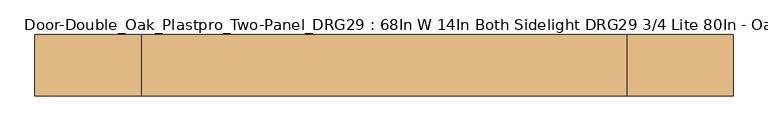
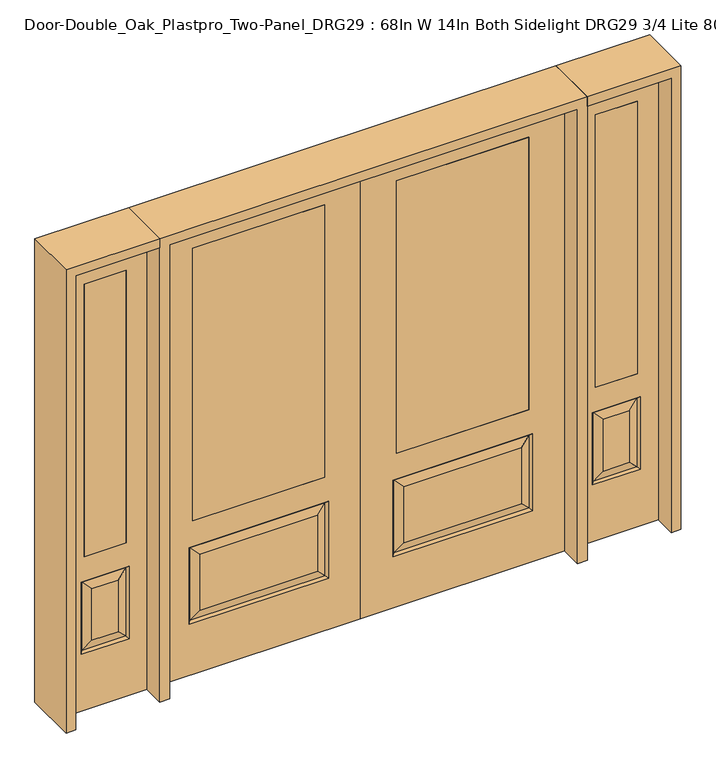
"""IFC4 building model written with IfcOpenShell, lengths in millimetres: door geometry, Door-Double_Oak_Plastpro_Two-Panel_DRG29 : 68In W 14In Both Sidelight DRG29 3/4 Lite 80In - Oak."""

from ifc_helpers import new_model, si_unit, frame, origin, place, context, project, spatial, polyline, outline, extrude, faceted_brep, source, transform, mapped, element, save


def door_double_oak_plastpro_two_panel_drg29_68in_w_14in_both_969a4aa5(model_context):
    return source(origin(), model_context, "Body", "SolidModel", [
        extrude(outline(polyline([(711.2, -20.6375), (152.4, -20.6375), (152.4, 20.6375), (711.2, 20.6375), (711.2, -20.6375)])), frame((0.0, 0.0, 685.8), z_axis=(0.0, 0.0, 1.0), x_axis=(1.0, 0.0, 0.0)), (0.0, 0.0, 1.0), 1219.2),
        faceted_brep([(680.9224548, -20.6375, 274.7525452), (680.9224548, -20.6375, 525.3474548), (182.6775452, -20.6375, 525.3474548), (182.6775452, -20.6375, 274.7525452), (0.0, -20.6375, 2032.0), (0.0, -20.6375, 0.0), (863.6, -20.6375, 0.0), (863.6, -20.6375, 2032.0), (136.6400452, -20.6375, 228.7150452), (136.6400452, -20.6375, 571.3849548), (726.9599548, -20.6375, 571.3849548), (726.9599548, -20.6375, 228.7150452), (711.2, -20.6375, 1905.0), (711.2, -20.6375, 685.8), (152.4, -20.6375, 685.8), (152.4, -20.6375, 1905.0), (711.2, 20.6375, 1905.0), (711.2, 20.6375, 685.8), (152.4, 20.6375, 685.8), (182.6775452, 20.6375, 274.7525452), (182.6775452, 20.6375, 525.3474548), (680.9224548, 20.6375, 525.3474548), (680.9224548, 20.6375, 274.7525452), (863.6, 20.6375, 2032.0), (863.6, 20.6375, 0.0), (0.0, 20.6375, 0.0), (0.0, 20.6375, 2032.0), (726.9599548, 20.6375, 228.7150452), (726.9599548, 20.6375, 571.3849548), (136.6400452, 20.6375, 571.3849548), (136.6400452, 20.6375, 228.7150452), (152.4, 20.6375, 1905.0), (145.6203014, -11.6572439, 237.6953014), (717.9796986, -11.6572439, 237.6953014), (717.9796986, -11.6572439, 562.4046986), (145.6203014, -11.6572439, 562.4046986), (145.6203014, 11.6572439, 237.6953014), (717.9796986, 11.6572439, 237.6953014), (717.9796986, 11.6572439, 562.4046986), (145.6203014, 11.6572439, 562.4046986)], [[[0, 1, 2, 3]], [[4, 5, 6, 7], [8, 9, 10, 11], [12, 13, 14, 15]], [[16, 17, 13, 12]], [[17, 18, 14, 13]], [[19, 20, 21, 22]], [[23, 24, 25, 26], [27, 28, 29, 30], [31, 18, 17, 16]], [[15, 14, 18, 31]], [[6, 5, 25, 24]], [[7, 6, 24, 23]], [[26, 25, 5, 4]], [[32, 8, 11, 33]], [[11, 10, 34, 33]], [[10, 9, 35, 34]], [[32, 35, 9, 8]], [[33, 0, 3, 32]], [[3, 2, 35, 32]], [[34, 35, 2, 1]], [[33, 34, 1, 0]], [[36, 19, 22, 37]], [[22, 21, 38, 37]], [[21, 20, 39, 38]], [[36, 39, 20, 19]], [[37, 27, 30, 36]], [[30, 29, 39, 36]], [[38, 39, 29, 28]], [[37, 38, 28, 27]], [[12, 15, 31, 16]], [[7, 23, 26, 4]]]),
        extrude(outline(polyline([(-711.2, -20.6375), (-711.2, 20.6375), (-152.4, 20.6375), (-152.4, -20.6375), (-711.2, -20.6375)])), frame((0.0, 0.0, 685.8), z_axis=(0.0, 0.0, 1.0), x_axis=(1.0, 0.0, 0.0)), (0.0, 0.0, 1.0), 1219.2),
        faceted_brep([(-680.9224548, -20.6375, 274.7525452), (-182.6775452, -20.6375, 274.7525452), (-182.6775452, -20.6375, 525.3474548), (-680.9224548, -20.6375, 525.3474548), (0.0, -20.6375, 2032.0), (-863.6, -20.6375, 2032.0), (-863.6, -20.6375, 0.0), (0.0, -20.6375, 0.0), (-136.6400452, -20.6375, 228.7150452), (-726.9599548, -20.6375, 228.7150452), (-726.9599548, -20.6375, 571.3849548), (-136.6400452, -20.6375, 571.3849548), (-711.2, -20.6375, 1905.0), (-152.4, -20.6375, 1905.0), (-152.4, -20.6375, 685.8), (-711.2, -20.6375, 685.8), (-711.2, 20.6375, 1905.0), (-711.2, 20.6375, 685.8), (-152.4, 20.6375, 685.8), (-182.6775452, 20.6375, 274.7525452), (-680.9224548, 20.6375, 274.7525452), (-680.9224548, 20.6375, 525.3474548), (-182.6775452, 20.6375, 525.3474548), (-863.6, 20.6375, 2032.0), (0.0, 20.6375, 2032.0), (0.0, 20.6375, 0.0), (-863.6, 20.6375, 0.0), (-726.9599548, 20.6375, 228.7150452), (-136.6400452, 20.6375, 228.7150452), (-136.6400452, 20.6375, 571.3849548), (-726.9599548, 20.6375, 571.3849548), (-152.4, 20.6375, 1905.0), (-145.6203014, -11.6572439, 237.6953014), (-717.9796986, -11.6572439, 237.6953014), (-717.9796986, -11.6572439, 562.4046986), (-145.6203014, -11.6572439, 562.4046986), (-145.6203014, 11.6572439, 237.6953014), (-717.9796986, 11.6572439, 237.6953014), (-717.9796986, 11.6572439, 562.4046986), (-145.6203014, 11.6572439, 562.4046986)], [[[0, 1, 2, 3]], [[4, 5, 6, 7], [8, 9, 10, 11], [12, 13, 14, 15]], [[16, 12, 15, 17]], [[17, 15, 14, 18]], [[19, 20, 21, 22]], [[23, 24, 25, 26], [27, 28, 29, 30], [31, 16, 17, 18]], [[13, 31, 18, 14]], [[6, 26, 25, 7]], [[5, 23, 26, 6]], [[24, 4, 7, 25]], [[32, 33, 9, 8]], [[9, 33, 34, 10]], [[10, 34, 35, 11]], [[32, 8, 11, 35]], [[33, 32, 1, 0]], [[1, 32, 35, 2]], [[34, 3, 2, 35]], [[33, 0, 3, 34]], [[36, 37, 20, 19]], [[20, 37, 38, 21]], [[21, 38, 39, 22]], [[36, 19, 22, 39]], [[37, 36, 28, 27]], [[28, 36, 39, 29]], [[38, 30, 29, 39]], [[37, 27, 30, 38]], [[12, 16, 31, 13]], [[5, 4, 24, 23]]]),
        extrude(outline(polyline([(1171.575, -20.6375), (993.775, -20.6375), (993.775, 20.6375), (1171.575, 20.6375), (1171.575, -20.6375)])), frame((0.0, 0.0, 685.8), z_axis=(0.0, 0.0, 1.0), x_axis=(1.0, 0.0, 0.0)), (0.0, 0.0, 1.0), 1219.2),
        faceted_brep([(1171.575, -20.6375, 1905.0), (993.775, -20.6375, 1905.0), (993.775, 20.6375, 1905.0), (1171.575, 20.6375, 1905.0), (1138.1224548, -20.6375, 531.6974548), (1027.2275452, -20.6375, 531.6974548), (1027.2275452, -20.6375, 300.1525452), (1138.1224548, -20.6375, 300.1525452), (904.875, -20.6375, 2032.0), (904.875, -20.6375, 0.0), (1260.475, -20.6375, 0.0), (1260.475, -20.6375, 2032.0), (1171.575, -20.6375, 685.8), (993.775, -20.6375, 685.8), (1184.1599548, -20.6375, 254.1150452), (981.1900452, -20.6375, 254.1150452), (981.1900452, -20.6375, 577.7349548), (1184.1599548, -20.6375, 577.7349548), (1175.1796986, 11.6572439, 568.7546986), (1184.1599548, 20.6375, 577.7349548), (1184.1599548, 20.6375, 254.1150452), (1175.1796986, 11.6572439, 263.0953014), (990.1703014, 11.6572439, 568.7546986), (981.1900452, 20.6375, 577.7349548), (1138.1224548, 20.6375, 300.1525452), (1138.1224548, 20.6375, 531.6974548), (1171.575, 20.6375, 685.8), (993.775, 20.6375, 685.8), (990.1703014, -11.6572439, 263.0953014), (1175.1796986, -11.6572439, 263.0953014), (990.1703014, -11.6572439, 568.7546986), (1175.1796986, -11.6572439, 568.7546986), (904.875, 20.6375, 2032.0), (1260.475, 20.6375, 2032.0), (904.875, 20.6375, 0.0), (1260.475, 20.6375, 0.0), (981.1900452, 20.6375, 254.1150452), (1027.2275452, 20.6375, 300.1525452), (1027.2275452, 20.6375, 531.6974548), (990.1703014, 11.6572439, 263.0953014)], [[[0, 1, 2, 3]], [[4, 5, 6, 7]], [[8, 9, 10, 11], [0, 12, 13, 1], [14, 15, 16, 17]], [[18, 19, 20, 21]], [[18, 22, 23, 19]], [[21, 24, 25, 18]], [[26, 27, 13, 12]], [[7, 6, 28, 29]], [[6, 5, 30, 28]], [[29, 14, 17, 31]], [[32, 8, 11, 33]], [[34, 35, 10, 9]], [[32, 34, 9, 8]], [[11, 10, 35, 33]], [[33, 35, 34, 32], [19, 23, 36, 20], [2, 27, 26, 3]], [[24, 37, 38, 25]], [[20, 36, 39, 21]], [[36, 23, 22, 39]], [[25, 38, 22, 18]], [[39, 22, 38, 37]], [[21, 39, 37, 24]], [[3, 26, 12, 0]], [[1, 13, 27, 2]], [[31, 4, 7, 29]], [[31, 30, 5, 4]], [[17, 16, 30, 31]], [[28, 30, 16, 15]], [[29, 28, 15, 14]]]),
        extrude(outline(polyline([(-1171.575, -20.6375), (-1171.575, 20.6375), (-993.775, 20.6375), (-993.775, -20.6375), (-1171.575, -20.6375)])), frame((0.0, 0.0, 685.8), z_axis=(0.0, 0.0, 1.0), x_axis=(1.0, 0.0, 0.0)), (0.0, 0.0, 1.0), 1219.2),
        faceted_brep([(-1171.575, -20.6375, 1905.0), (-1171.575, 20.6375, 1905.0), (-993.775, 20.6375, 1905.0), (-993.775, -20.6375, 1905.0), (-1138.1224548, -20.6375, 531.6974548), (-1138.1224548, -20.6375, 300.1525452), (-1027.2275452, -20.6375, 300.1525452), (-1027.2275452, -20.6375, 531.6974548), (-904.875, -20.6375, 2032.0), (-1260.475, -20.6375, 2032.0), (-1260.475, -20.6375, 0.0), (-904.875, -20.6375, 0.0), (-1184.1599548, -20.6375, 254.1150452), (-1184.1599548, -20.6375, 577.7349548), (-981.1900452, -20.6375, 577.7349548), (-981.1900452, -20.6375, 254.1150452), (-993.775, -20.6375, 685.8), (-1171.575, -20.6375, 685.8), (-1175.1796986, 11.6572439, 568.7546986), (-1175.1796986, 11.6572439, 263.0953014), (-1184.1599548, 20.6375, 254.1150452), (-1184.1599548, 20.6375, 577.7349548), (-981.1900452, 20.6375, 577.7349548), (-990.1703014, 11.6572439, 568.7546986), (-1138.1224548, 20.6375, 531.6974548), (-1138.1224548, 20.6375, 300.1525452), (-1171.575, 20.6375, 685.8), (-993.775, 20.6375, 685.8), (-1175.1796986, -11.6572439, 263.0953014), (-990.1703014, -11.6572439, 263.0953014), (-990.1703014, -11.6572439, 568.7546986), (-1175.1796986, -11.6572439, 568.7546986), (-904.875, 20.6375, 2032.0), (-1260.475, 20.6375, 2032.0), (-904.875, 20.6375, 0.0), (-1260.475, 20.6375, 0.0), (-981.1900452, 20.6375, 254.1150452), (-1027.2275452, 20.6375, 531.6974548), (-1027.2275452, 20.6375, 300.1525452), (-990.1703014, 11.6572439, 263.0953014)], [[[0, 1, 2, 3]], [[4, 5, 6, 7]], [[8, 9, 10, 11], [12, 13, 14, 15], [0, 3, 16, 17]], [[18, 19, 20, 21]], [[18, 21, 22, 23]], [[19, 18, 24, 25]], [[26, 17, 16, 27]], [[5, 28, 29, 6]], [[6, 29, 30, 7]], [[28, 31, 13, 12]], [[32, 33, 9, 8]], [[34, 11, 10, 35]], [[32, 8, 11, 34]], [[9, 33, 35, 10]], [[33, 32, 34, 35], [21, 20, 36, 22], [2, 1, 26, 27]], [[25, 24, 37, 38]], [[20, 19, 39, 36]], [[36, 39, 23, 22]], [[24, 18, 23, 37]], [[39, 38, 37, 23]], [[19, 25, 38, 39]], [[1, 0, 17, 26]], [[3, 2, 27, 16]], [[31, 28, 5, 4]], [[31, 4, 7, 30]], [[13, 31, 30, 14]], [[29, 15, 14, 30]], [[28, 12, 15, 29]]]),
        extrude(outline(polyline([(2032.0, -904.875), (2073.275, -904.875), (2073.275, -1301.75), (0.0, -1301.75), (0.0, -1260.475), (2032.0, -1260.475), (2032.0, -904.875)])), frame((0.0, -114.3, 0.0), z_axis=(0.0, 1.0, 0.0), x_axis=(0.0, 0.0, 1.0)), (0.0, 0.0, 1.0), 228.6),
        extrude(outline(polyline([(2073.275, -904.875), (0.0, -904.875), (0.0, -863.6), (2032.0, -863.6), (2032.0, 863.6), (0.0, 863.6), (0.0, 904.875), (2073.275, 904.875), (2073.275, -904.875)])), frame((0.0, -114.3, 0.0), z_axis=(0.0, 1.0, 0.0), x_axis=(0.0, 0.0, 1.0)), (0.0, 0.0, 1.0), 228.6),
        extrude(outline(polyline([(0.0, 1260.475), (0.0, 1301.75), (2073.275, 1301.75), (2073.275, 904.875), (2032.0, 904.875), (2032.0, 1260.475), (0.0, 1260.475)])), frame((0.0, -114.3, 0.0), z_axis=(0.0, 1.0, 0.0), x_axis=(0.0, 0.0, 1.0)), (0.0, 0.0, 1.0), 228.6),
    ])


if __name__ == "__main__":
    model = new_model("IFC4")
    model_context = context("Model", 3, world=origin())
    ifc_project = project(units=[si_unit("LENGTHUNIT", "METRE", prefix="MILLI")], contexts=[model_context])
    site = spatial("IfcSite", under=ifc_project)
    building = spatial("IfcBuilding", under=site)
    placement = place(None, origin())
    door_double_oak_plastpro_two_panel_drg29_68in_w_14in_both_shape = door_double_oak_plastpro_two_panel_drg29_68in_w_14in_both_969a4aa5(model_context)
    element("IfcDoor", 1, ObjectType="Door-Double_Oak_Plastpro_Two-Panel_DRG29 : 68In W 14In Both Sidelight DRG29 3/4 Lite 80In - Oak", at=placement, inside=building, context=model_context, shape_type="MappedRepresentation", body=[
        mapped(door_double_oak_plastpro_two_panel_drg29_68in_w_14in_both_shape, transform((0.0, 0.0, 0.0), x_axis=(1.0, 0.0, 0.0), y_axis=(0.0, 1.0, 0.0), z_axis=(0.0, 0.0, 1.0))),
    ])
    save(model, "model.ifc")
